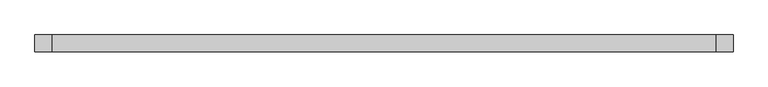
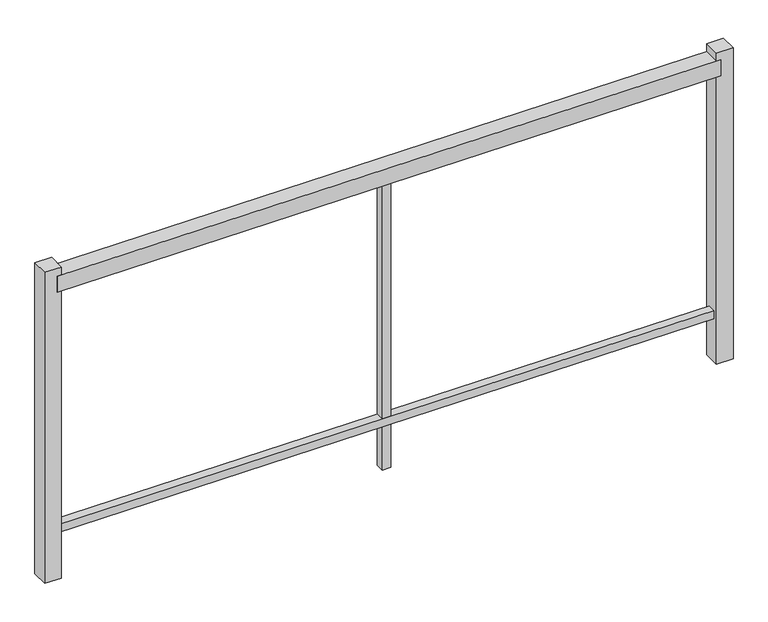
"""IFC4 building model written with IfcOpenShell, lengths in millimetres: railing geometry."""

from ifc_helpers import new_model, si_unit, frame, origin, place, context, project, spatial, polyline, outline, extrude, source, transform, mapped, element, save


def railing_83321c9f(model_context):
    return source(origin(), model_context, "Body", "SweptSolid", [
        extrude(outline(polyline([(2361.7950376, -95817.7052252), (2310.9943058, -95817.7052252), (2300.1518013, -93797.7052252), (2350.9525331, -93797.7052252), (2361.7950376, -95817.7052252)])), frame((0.0, 114890.0088971, 0.0), z_axis=(0.0, 1.0, 0.0), x_axis=(0.0, 0.0, 1.0)), (0.0, 0.0, 1.0), 50.8),
        extrude(outline(polyline([(1551.4948546, -95817.7052252), (1526.0944887, -95817.7052252), (1515.2519842, -93797.7052252), (1540.6523501, -93797.7052252), (1551.4948546, -95817.7052252)])), frame((0.0, 114902.7088971, 0.0), z_axis=(0.0, 1.0, 0.0), x_axis=(0.0, 0.0, 1.0)), (0.0, 0.0, 1.0), 25.4),
        extrude(outline(polyline([(2343.7441718, -94820.4052252), (1381.0441718, -94820.4052252), (1380.9026671, -94795.0052252), (2343.6026671, -94795.0052252), (2343.7441718, -94820.4052252)])), frame((0.0, 114902.7088971, 0.0), z_axis=(0.0, 1.0, 0.0), x_axis=(0.0, 0.0, 1.0)), (0.0, 0.0, 1.0), 25.4),
        extrude(outline(polyline([(2376.5255036, -93810.4052252), (1375.6255036, -93810.4052252), (1375.3424943, -93759.6052252), (2376.2424943, -93759.6052252), (2376.5255036, -93810.4052252)])), frame((0.0, 114890.0088971, 0.0), z_axis=(0.0, 1.0, 0.0), x_axis=(0.0, 0.0, 1.0)), (0.0, 0.0, 1.0), 50.8),
        extrude(outline(polyline([(2387.5043446, -95855.8052252), (1386.6043446, -95855.8052252), (1386.3213353, -95805.0052252), (2387.2213353, -95805.0052252), (2387.5043446, -95855.8052252)])), frame((0.0, 114890.0088971, 0.0), z_axis=(0.0, 1.0, 0.0), x_axis=(0.0, 0.0, 1.0)), (0.0, 0.0, 1.0), 50.8),
    ])


if __name__ == "__main__":
    model = new_model("IFC4")
    model_context = context("Model", 3, world=origin())
    ifc_project = project(units=[si_unit("LENGTHUNIT", "METRE", prefix="MILLI")], contexts=[model_context])
    site = spatial("IfcSite", under=ifc_project)
    building = spatial("IfcBuilding", under=site)
    placement = place(None, origin())
    railing_shape = railing_83321c9f(model_context)
    element("IfcRailing", 1, at=placement, inside=building, context=model_context, shape_type="MappedRepresentation", body=[
        mapped(railing_shape, transform((0.0, 0.0, 0.0), x_axis=(1.0, 0.0, 0.0), y_axis=(0.0, 1.0, 0.0), z_axis=(0.0, 0.0, 1.0))),
    ])
    save(model, "model.ifc")
